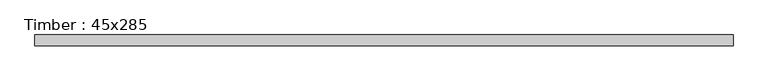
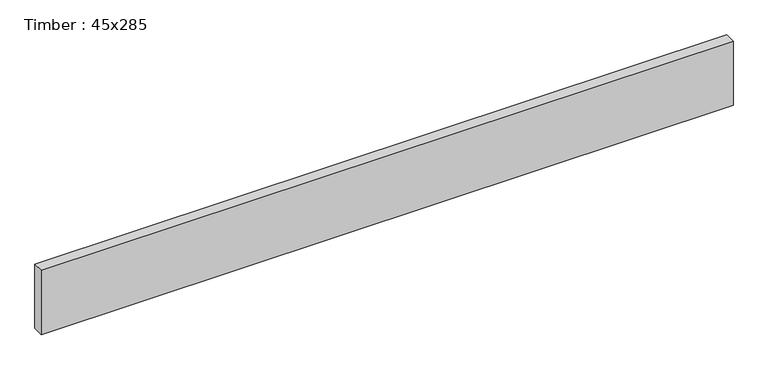
"""IFC4 building model written with IfcOpenShell, lengths in millimetres: beam geometry, Timber : 45x285."""

from ifc_helpers import new_model, si_unit, frame, origin, place, context, project, spatial, polyline, outline, extrude, source, transform, mapped, element, save


def timber_45x285_9836d8eb(model_context):
    return source(origin(), model_context, "Body", "SweptSolid", [
        extrude(outline(polyline([(1448.0, 22.5), (1448.0, -22.5), (-1448.0, -22.5), (-1448.0, 22.5), (1448.0, 22.5)])), frame((0.0, 0.0, -142.5), z_axis=(0.0, 0.0, 1.0), x_axis=(1.0, 0.0, 0.0)), (0.0, 0.0, 1.0), 285.0),
    ])


if __name__ == "__main__":
    model = new_model("IFC4")
    model_context = context("Model", 3, world=origin())
    ifc_project = project(units=[si_unit("LENGTHUNIT", "METRE", prefix="MILLI")], contexts=[model_context])
    site = spatial("IfcSite", under=ifc_project)
    building = spatial("IfcBuilding", under=site)
    placement = place(None, origin())
    timber_45x285_shape = timber_45x285_9836d8eb(model_context)
    element("IfcBeam", 1, ObjectType="Timber : 45x285", at=placement, inside=building, context=model_context, shape_type="MappedRepresentation", body=[
        mapped(timber_45x285_shape, transform((0.0, 0.0, 0.0), x_axis=(1.0, 0.0, 0.0), y_axis=(0.0, 1.0, 0.0), z_axis=(0.0, 0.0, 1.0))),
    ])
    save(model, "model.ifc")
